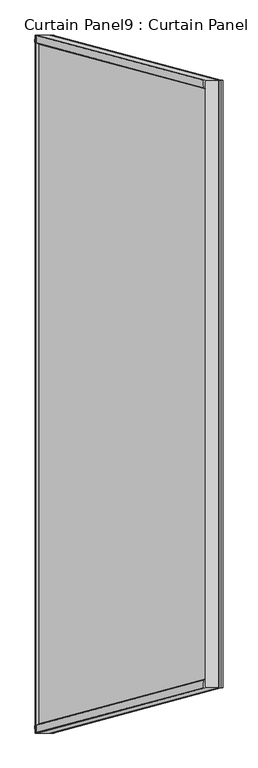
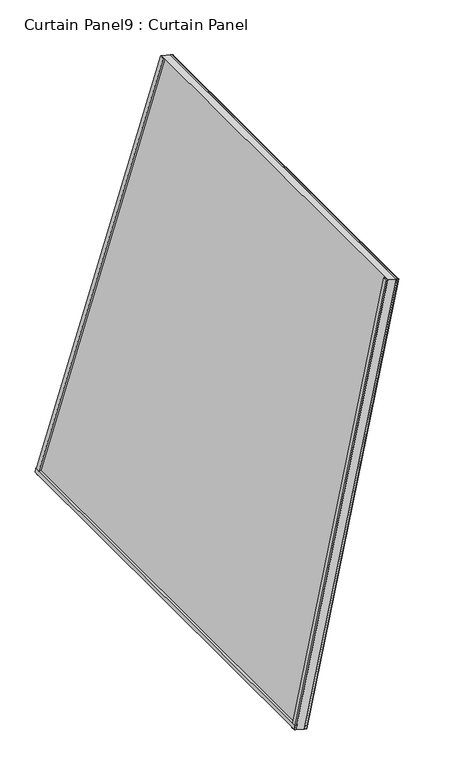
"""IFC4 building model written with IfcOpenShell, lengths in millimetres: plate geometry, Curtain Panel9 : Curtain Panel."""

import ifcopenshell
import ifcopenshell.guid

model = None  # the IFC model being written
_history = None  # IfcOwnerHistory: only IFC2X3 demands one
_inside = {}  # id of a spatial element -> (the spatial element, [elements in it])
_under = {}  # id of a project, library or spatial element -> (it, [spatial elements below it])
_declared = {}  # id of a project -> (the project, [libraries it declares])
_typed = {}  # id of a type object -> (the type object, [elements of that type])
_made_of = {}  # id of a material, layer set ... -> (it, [elements and type objects made of it])


def new_model(schema):
    """Start an empty IFC model of exactly this schema.

    Asked for "IFC4X3", IfcOpenShell would pick the latest addendum, in which some entities
    have other attributes; the version numbers below select the first issue.
    IFC2X3 requires an IfcOwnerHistory on every rooted entity: one is made here for all.
    """
    global model, _history
    if schema == "IFC4X3":
        model = ifcopenshell.file(schema_version=(4, 3, 0, 0))
    else:
        model = ifcopenshell.file(schema=schema)
    _inside.clear()
    _under.clear()
    _declared.clear()
    _typed.clear()
    _made_of.clear()
    _history = None
    if model.schema == "IFC2X3":
        org = make("IfcOrganization", Name="unknown")
        user = make(
            "IfcPersonAndOrganization",
            ThePerson=make("IfcPerson", FamilyName="unknown"),
            TheOrganization=org,
        )
        app = make(
            "IfcApplication",
            ApplicationDeveloper=org,
            Version="unknown",
            ApplicationFullName="unknown",
            ApplicationIdentifier="unknown",
        )
        _history = make(
            "IfcOwnerHistory",
            OwningUser=user,
            OwningApplication=app,
            ChangeAction="ADDED",
            CreationDate=0,
        )
    return model


def make(cls, **values):
    """One entity of the class cls with the attributes given. An attribute that is None is left unset."""
    return model.create_entity(
        cls, **{name: value for name, value in values.items() if value is not None}
    )


def rooted(cls, **values):
    """An entity with a GlobalId (a new one), such as an element, a storey or a relation."""
    return make(cls, GlobalId=ifcopenshell.guid.new(), OwnerHistory=_history, **values)


def si_unit(unit_type, name, prefix=None):
    """IfcSIUnit, for example si_unit("LENGTHUNIT", "METRE", prefix="MILLI")."""
    return make("IfcSIUnit", UnitType=unit_type, Prefix=prefix, Name=name)


def assignment(units):
    """IfcUnitAssignment: the units of a project."""
    return None if units is None else make("IfcUnitAssignment", Units=units)


def point(xyz):
    """IfcCartesianPoint."""
    return None if xyz is None else make("IfcCartesianPoint", Coordinates=xyz)


def direction(xyz):
    """IfcDirection."""
    return None if xyz is None else make("IfcDirection", DirectionRatios=xyz)


def frame(location, z_axis=None, x_axis=None):
    """IfcAxis2Placement3D, a coordinate frame: its origin and axes. An axis left out is left unset."""
    return make(
        "IfcAxis2Placement3D",
        Location=point(location),
        Axis=direction(z_axis),
        RefDirection=direction(x_axis),
    )


def origin():
    """The frame at (0, 0, 0) with its axes left unset."""
    return frame((0.0, 0.0, 0.0))


def place(relative_to, where):
    """IfcLocalPlacement: puts the frame where relative to a parent placement (None: the world)."""
    return make(
        "IfcLocalPlacement", PlacementRelTo=relative_to, RelativePlacement=where
    )


def context(
    kind, dimensions, precision=None, world=None, true_north=None, identifier=None
):
    """IfcGeometricRepresentationContext, for example the 3D "Model" context."""
    return make(
        "IfcGeometricRepresentationContext",
        ContextIdentifier=identifier,
        ContextType=kind,
        CoordinateSpaceDimension=dimensions,
        Precision=precision,
        WorldCoordinateSystem=world,
        TrueNorth=true_north,
    )


def project(units=None, contexts=None):
    """IfcProject with its units and contexts."""
    return rooted(
        "IfcProject",
        Name="project",
        RepresentationContexts=contexts,
        UnitsInContext=assignment(units),
    )


def spatial(cls, under=None, at=None, **own):
    """A site, building, storey or space (cls), placed at a placement, below another one or the project."""
    s = rooted(cls, ObjectPlacement=at, **own)
    if under is not None:
        _under.setdefault(under.id(), (under, []))[1].append(s)
    return s


def polyline(points):
    """IfcPolyline through the points."""
    return make("IfcPolyline", Points=[point(p) for p in points])


def outline(outer, holes=None, kind="AREA"):
    """IfcArbitraryClosedProfileDef: a profile drawn as a closed curve; with holes, ...WithVoids."""
    if holes is None:
        return make("IfcArbitraryClosedProfileDef", ProfileType=kind, OuterCurve=outer)
    return make(
        "IfcArbitraryProfileDefWithVoids",
        ProfileType=kind,
        OuterCurve=outer,
        InnerCurves=holes,
    )


def extrude(swept, where, along, depth):
    """IfcExtrudedAreaSolid: the profile swept, set in the frame where, extruded along a direction by depth."""
    return make(
        "IfcExtrudedAreaSolid",
        SweptArea=swept,
        Position=where,
        ExtrudedDirection=direction(along),
        Depth=depth,
    )


def shape(context_of_items, identifier, shape_type, items):
    """IfcShapeRepresentation: the items that make up one representation, for example the "Body"."""
    return make(
        "IfcShapeRepresentation",
        ContextOfItems=context_of_items,
        RepresentationIdentifier=identifier,
        RepresentationType=shape_type,
        Items=items,
    )


def source(mapping_origin, context_of_items, identifier, shape_type, items):
    """IfcRepresentationMap: a shape defined once, which mapped items show again and again."""
    return make(
        "IfcRepresentationMap",
        MappingOrigin=mapping_origin,
        MappedRepresentation=shape(context_of_items, identifier, shape_type, items),
    )


def transform(
    local_origin,
    x_axis=None,
    y_axis=None,
    z_axis=None,
    scale=None,
    scale2=None,
    scale3=None,
    uniform=True,
):
    """IfcCartesianTransformationOperator3D, or its non-uniform kind. x_axis, y_axis, z_axis: its Axis1, 2, 3."""
    if uniform:
        return make(
            "IfcCartesianTransformationOperator3D",
            Axis1=direction(x_axis),
            Axis2=direction(y_axis),
            LocalOrigin=point(local_origin),
            Scale=scale,
            Axis3=direction(z_axis),
        )
    return make(
        "IfcCartesianTransformationOperator3DnonUniform",
        Axis1=direction(x_axis),
        Axis2=direction(y_axis),
        LocalOrigin=point(local_origin),
        Scale=scale,
        Axis3=direction(z_axis),
        Scale2=scale2,
        Scale3=scale3,
    )


def mapped(mapping_source, mapping_target):
    """IfcMappedItem: shows the shape of a source again, moved by a transform."""
    return make(
        "IfcMappedItem", MappingSource=mapping_source, MappingTarget=mapping_target
    )


def made_of(thing, what):
    """Note that an element or type object is made of a material, layer set ...; save() writes the relation."""
    if what is not None:
        _made_of.setdefault(what.id(), (what, []))[1].append(thing)
    return thing


def element(
    cls,
    number,
    at=None,
    inside=None,
    cuts=None,
    type_object=None,
    material=None,
    context=None,
    identifier="Body",
    shape_type=None,
    held_by="IfcProductDefinitionShape",
    body=None,
    shapes=None,
    **own,
):
    """One element of the class cls, such as IfcWall. Its Tag is "e" and its number.

    at: its placement. inside: the storey or other place that contains it. cuts: it is an
    opening in that element (IfcRelVoidsElement). A single representation is given by context,
    identifier, shape_type and body (its items); several are given by shapes. held_by: the class
    of the entity that holds the representations. save() writes the other relations.
    """
    e = rooted(cls, Tag="e%d" % number, ObjectPlacement=at, **own)
    if body is not None:
        shapes = [shape(context, identifier, shape_type, body)]
    if shapes is not None:
        e.Representation = make(held_by, Representations=shapes)
    if inside is not None:
        _inside.setdefault(inside.id(), (inside, []))[1].append(e)
    if cuts is not None:
        rooted(
            "IfcRelVoidsElement", RelatingBuildingElement=cuts, RelatedOpeningElement=e
        )
    if type_object is not None:
        _typed.setdefault(type_object.id(), (type_object, []))[1].append(e)
    return made_of(e, material)


def aggregate(whole, parts):
    """IfcRelAggregates: a whole, such as a stair, and the parts it consists of."""
    return rooted("IfcRelAggregates", RelatingObject=whole, RelatedObjects=parts)


def save(model, path):
    """Write the relations noted so far, then the file.

    IfcRelAggregates (storeys below a building ...), IfcRelContainedInSpatialStructure (elements
    in a storey), IfcRelDefinesByType, IfcRelAssociatesMaterial and IfcRelDeclares: one each for
    every whole, place, type object, material and project.
    """
    for whole, parts in _under.values():
        aggregate(whole, parts)
    for where, things in _inside.values():
        rooted(
            "IfcRelContainedInSpatialStructure",
            RelatedElements=things,
            RelatingStructure=where,
        )
    for kind, things in _typed.values():
        rooted("IfcRelDefinesByType", RelatedObjects=things, RelatingType=kind)
    for what, things in _made_of.values():
        rooted("IfcRelAssociatesMaterial", RelatedObjects=things, RelatingMaterial=what)
    for by, libraries in _declared.values():
        rooted("IfcRelDeclares", RelatingContext=by, RelatedDefinitions=libraries)
    model.write(path)


def curtain_panel9_curtain_panel_affb3b96(model_context):
    return source(origin(), model_context, "Body", "SweptSolid", [
        extrude(outline(polyline([(1006.0117378, -15162.6341995), (1002.8887114, -15168.3192913), (990.8788745, -15171.4276658), (989.6959111, -15166.8570463), (1006.0117378, -15162.6341995)])), frame((0.0, -14473.9986955, 0.0), z_axis=(0.0, 1.0, 0.0), x_axis=(0.0, 0.0, 1.0)), (0.0, 0.0, 1.0), 1545.7655054),
        extrude(outline(polyline([(982.1383104, -15137.6567196), (980.4477945, -15131.1250675), (990.4560486, -15128.5347408), (993.3095001, -15134.7802752), (982.1383104, -15137.6567196)])), frame((0.0, -14473.9986955, 0.0), z_axis=(0.0, 1.0, 0.0), x_axis=(0.0, 0.0, 1.0)), (0.0, 0.0, 1.0), 1545.7655054),
        extrude(outline(polyline([(2424.6799239, -14759.3121215), (2425.8897064, -14763.9863619), (2412.7399447, -14767.3897707), (2412.834764, -14760.1616438), (2422.5612109, -14754.7685267), (2424.6799239, -14759.3121215)])), frame((0.0, -14373.8735293, 0.0), z_axis=(0.0, 1.0, 0.0), x_axis=(0.0, 0.0, 1.0)), (0.0, 0.0, 1.0), 1345.5324627),
        extrude(outline(polyline([(36.8259305, -0.4102609), (41.5604478, -0.4102609), (41.5604478, -16.4427838), (36.8259305, -19.460261), (36.8259305, -0.4102609)])), frame((-15131.2998697, -14473.9986955, 980.1683943), z_axis=(0.24999999999999906, 0.06698729810777852, 0.9659258262890686), x_axis=(-0.968100345886375, 0.0, 0.2505628070857309)), (0.0, 0.0, 1.0), 1494.6888333),
        extrude(outline(polyline([(0.3134305, 0.0), (6.6634305, 0.0), (6.6634305, -11.4749739), (0.3122165, -13.1187891), (-2.8699312, -0.8239147), (0.3134305, 0.0)])), frame((-15131.2998697, -14473.9986955, 980.1683943), z_axis=(0.24999999999999906, 0.06698729810777852, 0.9659258262890686), x_axis=(-0.968100345886375, 0.0, 0.2505628070857309)), (0.0, 0.0, 1.0), 1494.6888333),
        extrude(outline(polyline([(36.8101563, 0.3892077), (36.8101563, 19.4392078), (41.5446736, 16.4217306), (41.5446735, 0.3892077), (36.8101563, 0.3892077)])), frame((-15131.2214746, -12928.254196, 980.4712897), z_axis=(0.24999999999999972, -0.06698729810778044, 0.9659258262890684), x_axis=(-0.968100345886375, 0.0, 0.250562807085731)), (0.0, 0.0, 1.0), 1494.375253),
        extrude(outline(polyline([(0.2976563, -0.0210532), (-2.8857055, 0.8028615), (0.2964422, 13.0977359), (6.6476563, 11.4539207), (6.6476563, -0.0210532), (0.2976563, -0.0210532)])), frame((-15131.2214746, -12928.254196, 980.4712897), z_axis=(0.24999999999999972, -0.06698729810778044, 0.9659258262890684), x_axis=(-0.968100345886375, 0.0, 0.250562807085731)), (0.0, 0.0, 1.0), 1494.375253),
        extrude(outline(polyline([(-69.1681417, 0.0), (-172.7147964, -1542.2934506), (-1653.989401, -1342.4929143), (-1563.856975, 0.0), (-69.1681417, 0.0)])), frame((-15154.948755, -14478.6320824, 915.327016), z_axis=(-0.9681003458863751, 0.0, 0.250562807085731), x_axis=(-0.24999999999999906, -0.06698729810778142, -0.9659258262890685)), (0.0, 0.0, 1.0), 30.1625),
    ])


if __name__ == "__main__":
    model = new_model("IFC4")
    model_context = context("Model", 3, world=origin())
    ifc_project = project(units=[si_unit("LENGTHUNIT", "METRE", prefix="MILLI")], contexts=[model_context])
    site = spatial("IfcSite", under=ifc_project)
    building = spatial("IfcBuilding", under=site)
    placement = place(None, origin())
    curtain_panel9_curtain_panel_shape = curtain_panel9_curtain_panel_affb3b96(model_context)
    element("IfcPlate", 1, ObjectType="Curtain Panel9 : Curtain Panel", at=placement, inside=building, context=model_context, shape_type="MappedRepresentation", body=[
        mapped(curtain_panel9_curtain_panel_shape, transform((0.0, 0.0, 0.0), x_axis=(1.0, 0.0, 0.0), y_axis=(0.0, 1.0, 0.0), z_axis=(0.0, 0.0, 1.0))),
    ])
    save(model, "model.ifc")
